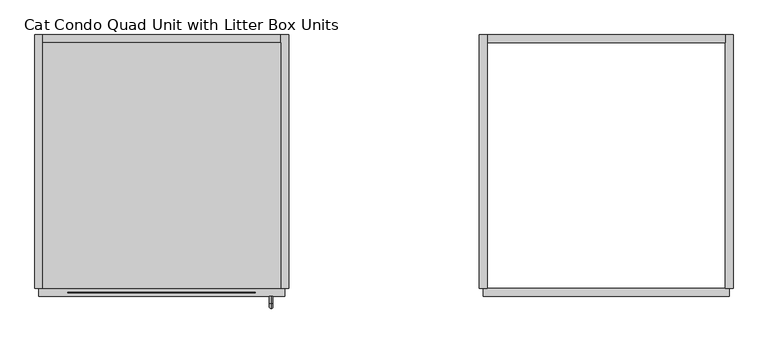
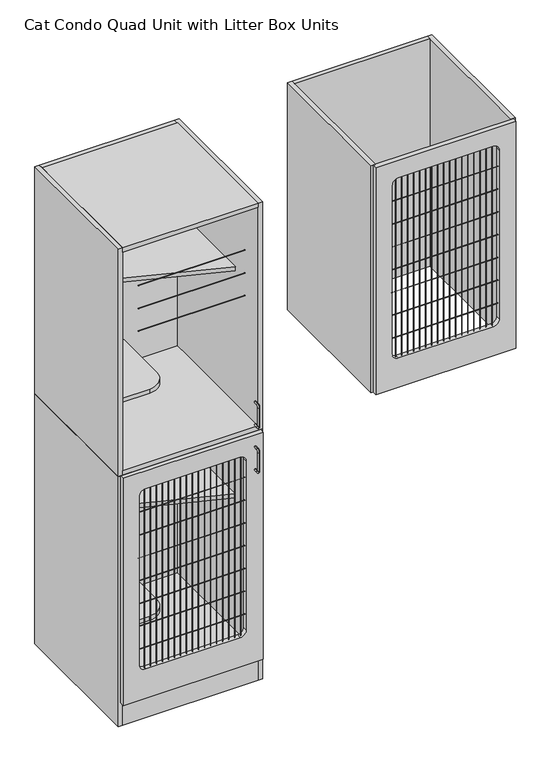
"""IFC4 building model written with IfcOpenShell, lengths in millimetres: proxy geometry, Cat Condo Quad Unit with Litter Box Units."""

from ifc_helpers import new_model, si_unit, point, frame, frame_2d, origin, origin_with_axes, place, context, project, spatial, polyline, circle_curve, ellipse_curve, trimmed, segment, composite_curve, outline, extrude, source, transform, mapped, element, save
from ifc_brep_helpers import plane_surface, cylinder_surface, revolved_surface, advanced_brep


def cat_condo_quad_unit_with_litter_box_units_bd24b7d4(model_context):
    return source(origin(), model_context, "Body", "SolidModel", [
        extrude(outline(polyline([(1085.85, 609.6), (1085.85, 0.0), (1066.8, 0.0), (1066.8, 609.6), (1085.85, 609.6)])), frame((0.0, 0.0, 1114.425), z_axis=(0.0, 0.0, 1.0), x_axis=(1.0, 0.0, 0.0)), (0.0, 0.0, 1.0), 1012.825),
        extrude(outline(polyline([(1085.85, 609.6), (1657.35, 609.6), (1657.35, 590.55), (1085.85, 590.55), (1085.85, 609.6)])), frame((0.0, 0.0, 1114.425), z_axis=(0.0, 0.0, 1.0), x_axis=(1.0, 0.0, 0.0)), (0.0, 0.0, 1.0), 1012.825),
        extrude(outline(polyline([(1657.35, 609.6), (1676.4, 609.6), (1676.4, 0.0), (1657.35, 0.0), (1657.35, 609.6)])), frame((0.0, 0.0, 1114.425), z_axis=(0.0, 0.0, 1.0), x_axis=(1.0, 0.0, 0.0)), (0.0, 0.0, 1.0), 1012.825),
        extrude(outline(composite_curve([segment(trimmed(circle_curve(frame_2d((-9.6602248, 1944.6875)), 0.79375), [point((-9.6602248, 1945.48125))], [point((-9.6602248, 1943.89375))], False, "CARTESIAN"), True, "CONTINUOUS"), segment(trimmed(circle_curve(frame_2d((-9.6602248, 1944.6875)), 0.79375), [point((-9.6602248, 1943.89375))], [point((-9.6602248, 1945.48125))], False, "CARTESIAN"), True, "CONTINUOUS")], self_intersect=False)), frame((1146.96875, 0.0, 0.0), z_axis=(1.0, 0.0, 0.0), x_axis=(0.0, 1.0, 0.0)), (0.0, 0.0, 1.0), 450.85),
        extrude(outline(composite_curve([segment(trimmed(circle_curve(frame_2d((-9.6602248, 1843.0875)), 0.79375), [point((-9.6602248, 1843.88125))], [point((-9.6602248, 1842.29375))], False, "CARTESIAN"), True, "CONTINUOUS"), segment(trimmed(circle_curve(frame_2d((-9.6602248, 1843.0875)), 0.79375), [point((-9.6602248, 1842.29375))], [point((-9.6602248, 1843.88125))], False, "CARTESIAN"), True, "CONTINUOUS")], self_intersect=False)), frame((1146.96875, 0.0, 0.0), z_axis=(1.0, 0.0, 0.0), x_axis=(0.0, 1.0, 0.0)), (0.0, 0.0, 1.0), 450.85),
        extrude(outline(composite_curve([segment(trimmed(circle_curve(frame_2d((-9.6602248, 1741.4875)), 0.79375), [point((-9.6602248, 1742.28125))], [point((-9.6602248, 1740.69375))], False, "CARTESIAN"), True, "CONTINUOUS"), segment(trimmed(circle_curve(frame_2d((-9.6602248, 1741.4875)), 0.79375), [point((-9.6602248, 1740.69375))], [point((-9.6602248, 1742.28125))], False, "CARTESIAN"), True, "CONTINUOUS")], self_intersect=False)), frame((1146.96875, 0.0, 0.0), z_axis=(1.0, 0.0, 0.0), x_axis=(0.0, 1.0, 0.0)), (0.0, 0.0, 1.0), 450.85),
        extrude(outline(composite_curve([segment(trimmed(circle_curve(frame_2d((-9.6602248, 1639.8875)), 0.79375), [point((-9.6602248, 1640.68125))], [point((-9.6602248, 1639.09375))], False, "CARTESIAN"), True, "CONTINUOUS"), segment(trimmed(circle_curve(frame_2d((-9.6602248, 1639.8875)), 0.79375), [point((-9.6602248, 1639.09375))], [point((-9.6602248, 1640.68125))], False, "CARTESIAN"), True, "CONTINUOUS")], self_intersect=False)), frame((1146.96875, 0.0, 0.0), z_axis=(1.0, 0.0, 0.0), x_axis=(0.0, 1.0, 0.0)), (0.0, 0.0, 1.0), 450.85),
        extrude(outline(composite_curve([segment(trimmed(circle_curve(frame_2d((-9.6602248, 1538.2875)), 0.79375), [point((-9.6602248, 1539.08125))], [point((-9.6602248, 1537.49375))], False, "CARTESIAN"), True, "CONTINUOUS"), segment(trimmed(circle_curve(frame_2d((-9.6602248, 1538.2875)), 0.79375), [point((-9.6602248, 1537.49375))], [point((-9.6602248, 1539.08125))], False, "CARTESIAN"), True, "CONTINUOUS")], self_intersect=False)), frame((1146.96875, 0.0, 0.0), z_axis=(1.0, 0.0, 0.0), x_axis=(0.0, 1.0, 0.0)), (0.0, 0.0, 1.0), 450.85),
        extrude(outline(composite_curve([segment(trimmed(circle_curve(frame_2d((-9.6602248, 1436.6875)), 0.79375), [point((-9.6602248, 1437.48125))], [point((-9.6602248, 1435.89375))], False, "CARTESIAN"), True, "CONTINUOUS"), segment(trimmed(circle_curve(frame_2d((-9.6602248, 1436.6875)), 0.79375), [point((-9.6602248, 1435.89375))], [point((-9.6602248, 1437.48125))], False, "CARTESIAN"), True, "CONTINUOUS")], self_intersect=False)), frame((1146.96875, 0.0, 0.0), z_axis=(1.0, 0.0, 0.0), x_axis=(0.0, 1.0, 0.0)), (0.0, 0.0, 1.0), 450.85),
        extrude(outline(composite_curve([segment(trimmed(circle_curve(frame_2d((-9.6602248, 1335.0875)), 0.79375), [point((-9.6602248, 1335.88125))], [point((-9.6602248, 1334.29375))], False, "CARTESIAN"), True, "CONTINUOUS"), segment(trimmed(circle_curve(frame_2d((-9.6602248, 1335.0875)), 0.79375), [point((-9.6602248, 1334.29375))], [point((-9.6602248, 1335.88125))], False, "CARTESIAN"), True, "CONTINUOUS")], self_intersect=False)), frame((1146.96875, 0.0, 0.0), z_axis=(1.0, 0.0, 0.0), x_axis=(0.0, 1.0, 0.0)), (0.0, 0.0, 1.0), 450.85),
        extrude(outline(composite_curve([segment(trimmed(circle_curve(frame_2d((1165.3080335, -9.6602248)), 0.79375), [point((1166.1017835, -9.6602248))], [point((1164.5142835, -9.6602248))], False, "CARTESIAN"), True, "CONTINUOUS"), segment(trimmed(circle_curve(frame_2d((1165.3080335, -9.6602248)), 0.79375), [point((1164.5142835, -9.6602248))], [point((1166.1017835, -9.6602248))], False, "CARTESIAN"), True, "CONTINUOUS")], self_intersect=False)), frame((0.0, 0.0, 1244.6), z_axis=(0.0, 0.0, 1.0), x_axis=(1.0, 0.0, 0.0)), (0.0, 0.0, 1.0), 803.275),
        extrude(outline(composite_curve([segment(trimmed(circle_curve(frame_2d((1190.7080335, -9.6602248)), 0.79375), [point((1191.5017835, -9.6602248))], [point((1189.9142835, -9.6602248))], False, "CARTESIAN"), True, "CONTINUOUS"), segment(trimmed(circle_curve(frame_2d((1190.7080335, -9.6602248)), 0.79375), [point((1189.9142835, -9.6602248))], [point((1191.5017835, -9.6602248))], False, "CARTESIAN"), True, "CONTINUOUS")], self_intersect=False)), frame((0.0, 0.0, 1244.6), z_axis=(0.0, 0.0, 1.0), x_axis=(1.0, 0.0, 0.0)), (0.0, 0.0, 1.0), 803.275),
        extrude(outline(composite_curve([segment(trimmed(circle_curve(frame_2d((1216.1080335, -9.6602248)), 0.79375), [point((1216.9017835, -9.6602248))], [point((1215.3142835, -9.6602248))], False, "CARTESIAN"), True, "CONTINUOUS"), segment(trimmed(circle_curve(frame_2d((1216.1080335, -9.6602248)), 0.79375), [point((1215.3142835, -9.6602248))], [point((1216.9017835, -9.6602248))], False, "CARTESIAN"), True, "CONTINUOUS")], self_intersect=False)), frame((0.0, 0.0, 1244.6), z_axis=(0.0, 0.0, 1.0), x_axis=(1.0, 0.0, 0.0)), (0.0, 0.0, 1.0), 803.275),
        extrude(outline(composite_curve([segment(trimmed(circle_curve(frame_2d((1241.5080335, -9.6602248)), 0.79375), [point((1242.3017835, -9.6602248))], [point((1240.7142835, -9.6602248))], False, "CARTESIAN"), True, "CONTINUOUS"), segment(trimmed(circle_curve(frame_2d((1241.5080335, -9.6602248)), 0.79375), [point((1240.7142835, -9.6602248))], [point((1242.3017835, -9.6602248))], False, "CARTESIAN"), True, "CONTINUOUS")], self_intersect=False)), frame((0.0, 0.0, 1244.6), z_axis=(0.0, 0.0, 1.0), x_axis=(1.0, 0.0, 0.0)), (0.0, 0.0, 1.0), 803.275),
        extrude(outline(composite_curve([segment(trimmed(circle_curve(frame_2d((1266.9080335, -9.6602248)), 0.79375), [point((1267.7017835, -9.6602248))], [point((1266.1142835, -9.6602248))], False, "CARTESIAN"), True, "CONTINUOUS"), segment(trimmed(circle_curve(frame_2d((1266.9080335, -9.6602248)), 0.79375), [point((1266.1142835, -9.6602248))], [point((1267.7017835, -9.6602248))], False, "CARTESIAN"), True, "CONTINUOUS")], self_intersect=False)), frame((0.0, 0.0, 1244.6), z_axis=(0.0, 0.0, 1.0), x_axis=(1.0, 0.0, 0.0)), (0.0, 0.0, 1.0), 803.275),
        extrude(outline(composite_curve([segment(trimmed(circle_curve(frame_2d((1292.3080335, -9.6602248)), 0.79375), [point((1293.1017835, -9.6602248))], [point((1291.5142835, -9.6602248))], False, "CARTESIAN"), True, "CONTINUOUS"), segment(trimmed(circle_curve(frame_2d((1292.3080335, -9.6602248)), 0.79375), [point((1291.5142835, -9.6602248))], [point((1293.1017835, -9.6602248))], False, "CARTESIAN"), True, "CONTINUOUS")], self_intersect=False)), frame((0.0, 0.0, 1244.6), z_axis=(0.0, 0.0, 1.0), x_axis=(1.0, 0.0, 0.0)), (0.0, 0.0, 1.0), 803.275),
        extrude(outline(composite_curve([segment(trimmed(circle_curve(frame_2d((1317.7080335, -9.6602248)), 0.79375), [point((1318.5017835, -9.6602248))], [point((1316.9142835, -9.6602248))], False, "CARTESIAN"), True, "CONTINUOUS"), segment(trimmed(circle_curve(frame_2d((1317.7080335, -9.6602248)), 0.79375), [point((1316.9142835, -9.6602248))], [point((1318.5017835, -9.6602248))], False, "CARTESIAN"), True, "CONTINUOUS")], self_intersect=False)), frame((0.0, 0.0, 1244.6), z_axis=(0.0, 0.0, 1.0), x_axis=(1.0, 0.0, 0.0)), (0.0, 0.0, 1.0), 803.275),
        extrude(outline(composite_curve([segment(trimmed(circle_curve(frame_2d((1343.1080335, -9.6602248)), 0.79375), [point((1343.9017835, -9.6602248))], [point((1342.3142835, -9.6602248))], False, "CARTESIAN"), True, "CONTINUOUS"), segment(trimmed(circle_curve(frame_2d((1343.1080335, -9.6602248)), 0.79375), [point((1342.3142835, -9.6602248))], [point((1343.9017835, -9.6602248))], False, "CARTESIAN"), True, "CONTINUOUS")], self_intersect=False)), frame((0.0, 0.0, 1244.6), z_axis=(0.0, 0.0, 1.0), x_axis=(1.0, 0.0, 0.0)), (0.0, 0.0, 1.0), 803.275),
        extrude(outline(composite_curve([segment(trimmed(circle_curve(frame_2d((1368.5080335, -9.6602248)), 0.79375), [point((1369.3017835, -9.6602248))], [point((1367.7142835, -9.6602248))], False, "CARTESIAN"), True, "CONTINUOUS"), segment(trimmed(circle_curve(frame_2d((1368.5080335, -9.6602248)), 0.79375), [point((1367.7142835, -9.6602248))], [point((1369.3017835, -9.6602248))], False, "CARTESIAN"), True, "CONTINUOUS")], self_intersect=False)), frame((0.0, 0.0, 1244.6), z_axis=(0.0, 0.0, 1.0), x_axis=(1.0, 0.0, 0.0)), (0.0, 0.0, 1.0), 803.275),
        extrude(outline(composite_curve([segment(trimmed(circle_curve(frame_2d((1393.9080335, -9.6602248)), 0.79375), [point((1394.7017835, -9.6602248))], [point((1393.1142835, -9.6602248))], False, "CARTESIAN"), True, "CONTINUOUS"), segment(trimmed(circle_curve(frame_2d((1393.9080335, -9.6602248)), 0.79375), [point((1393.1142835, -9.6602248))], [point((1394.7017835, -9.6602248))], False, "CARTESIAN"), True, "CONTINUOUS")], self_intersect=False)), frame((0.0, 0.0, 1244.6), z_axis=(0.0, 0.0, 1.0), x_axis=(1.0, 0.0, 0.0)), (0.0, 0.0, 1.0), 803.275),
        extrude(outline(composite_curve([segment(trimmed(circle_curve(frame_2d((1419.3080335, -9.6602248)), 0.79375), [point((1420.1017835, -9.6602248))], [point((1418.5142835, -9.6602248))], False, "CARTESIAN"), True, "CONTINUOUS"), segment(trimmed(circle_curve(frame_2d((1419.3080335, -9.6602248)), 0.79375), [point((1418.5142835, -9.6602248))], [point((1420.1017835, -9.6602248))], False, "CARTESIAN"), True, "CONTINUOUS")], self_intersect=False)), frame((0.0, 0.0, 1244.6), z_axis=(0.0, 0.0, 1.0), x_axis=(1.0, 0.0, 0.0)), (0.0, 0.0, 1.0), 803.275),
        extrude(outline(composite_curve([segment(trimmed(circle_curve(frame_2d((1444.7080335, -9.6602248)), 0.79375), [point((1445.5017835, -9.6602248))], [point((1443.9142835, -9.6602248))], False, "CARTESIAN"), True, "CONTINUOUS"), segment(trimmed(circle_curve(frame_2d((1444.7080335, -9.6602248)), 0.79375), [point((1443.9142835, -9.6602248))], [point((1445.5017835, -9.6602248))], False, "CARTESIAN"), True, "CONTINUOUS")], self_intersect=False)), frame((0.0, 0.0, 1244.6), z_axis=(0.0, 0.0, 1.0), x_axis=(1.0, 0.0, 0.0)), (0.0, 0.0, 1.0), 803.275),
        extrude(outline(composite_curve([segment(trimmed(circle_curve(frame_2d((1470.1080335, -9.6602248)), 0.79375), [point((1470.9017835, -9.6602248))], [point((1469.3142835, -9.6602248))], False, "CARTESIAN"), True, "CONTINUOUS"), segment(trimmed(circle_curve(frame_2d((1470.1080335, -9.6602248)), 0.79375), [point((1469.3142835, -9.6602248))], [point((1470.9017835, -9.6602248))], False, "CARTESIAN"), True, "CONTINUOUS")], self_intersect=False)), frame((0.0, 0.0, 1244.6), z_axis=(0.0, 0.0, 1.0), x_axis=(1.0, 0.0, 0.0)), (0.0, 0.0, 1.0), 803.275),
        extrude(outline(composite_curve([segment(trimmed(circle_curve(frame_2d((1495.5080335, -9.6602248)), 0.79375), [point((1496.3017835, -9.6602248))], [point((1494.7142835, -9.6602248))], False, "CARTESIAN"), True, "CONTINUOUS"), segment(trimmed(circle_curve(frame_2d((1495.5080335, -9.6602248)), 0.79375), [point((1494.7142835, -9.6602248))], [point((1496.3017835, -9.6602248))], False, "CARTESIAN"), True, "CONTINUOUS")], self_intersect=False)), frame((0.0, 0.0, 1244.6), z_axis=(0.0, 0.0, 1.0), x_axis=(1.0, 0.0, 0.0)), (0.0, 0.0, 1.0), 803.275),
        extrude(outline(composite_curve([segment(trimmed(circle_curve(frame_2d((1520.9080335, -9.6602248)), 0.79375), [point((1521.7017835, -9.6602248))], [point((1520.1142835, -9.6602248))], False, "CARTESIAN"), True, "CONTINUOUS"), segment(trimmed(circle_curve(frame_2d((1520.9080335, -9.6602248)), 0.79375), [point((1520.1142835, -9.6602248))], [point((1521.7017835, -9.6602248))], False, "CARTESIAN"), True, "CONTINUOUS")], self_intersect=False)), frame((0.0, 0.0, 1244.6), z_axis=(0.0, 0.0, 1.0), x_axis=(1.0, 0.0, 0.0)), (0.0, 0.0, 1.0), 803.275),
        extrude(outline(composite_curve([segment(trimmed(circle_curve(frame_2d((1546.3080335, -9.6602248)), 0.79375), [point((1547.1017835, -9.6602248))], [point((1545.5142835, -9.6602248))], False, "CARTESIAN"), True, "CONTINUOUS"), segment(trimmed(circle_curve(frame_2d((1546.3080335, -9.6602248)), 0.79375), [point((1545.5142835, -9.6602248))], [point((1547.1017835, -9.6602248))], False, "CARTESIAN"), True, "CONTINUOUS")], self_intersect=False)), frame((0.0, 0.0, 1244.6), z_axis=(0.0, 0.0, 1.0), x_axis=(1.0, 0.0, 0.0)), (0.0, 0.0, 1.0), 803.275),
        extrude(outline(composite_curve([segment(trimmed(circle_curve(frame_2d((1571.7080335, -9.6602248)), 0.79375), [point((1572.5017835, -9.6602248))], [point((1570.9142835, -9.6602248))], False, "CARTESIAN"), True, "CONTINUOUS"), segment(trimmed(circle_curve(frame_2d((1571.7080335, -9.6602248)), 0.79375), [point((1570.9142835, -9.6602248))], [point((1572.5017835, -9.6602248))], False, "CARTESIAN"), True, "CONTINUOUS")], self_intersect=False)), frame((0.0, 0.0, 1244.6), z_axis=(0.0, 0.0, 1.0), x_axis=(1.0, 0.0, 0.0)), (0.0, 0.0, 1.0), 803.275),
        extrude(outline(polyline([(2127.25, 1076.325), (1114.425, 1076.325), (1114.425, 1666.875), (2127.25, 1666.875), (2127.25, 1076.325)]), holes=[composite_curve([segment(trimmed(circle_curve(frame_2d((2022.475, 1572.41875)), 25.4), [point((2047.875, 1572.41875))], [point((2022.475, 1597.81875))], True, "CARTESIAN"), True, "CONTINUOUS"), segment(polyline([(2022.475, 1597.81875), (1270.0, 1597.81875)]), True, "CONTINUOUS"), segment(trimmed(circle_curve(frame_2d((1270.0, 1572.41875)), 25.4), [point((1270.0, 1597.81875))], [point((1244.6, 1572.41875))], True, "CARTESIAN"), True, "CONTINUOUS"), segment(polyline([(1244.6, 1572.41875), (1244.6, 1172.36875)]), True, "CONTINUOUS"), segment(trimmed(circle_curve(frame_2d((1270.0, 1172.36875)), 25.4), [point((1244.6, 1172.36875))], [point((1270.0, 1146.96875))], True, "CARTESIAN"), True, "CONTINUOUS"), segment(polyline([(1270.0, 1146.96875), (2022.475, 1146.96875)]), True, "CONTINUOUS"), segment(trimmed(circle_curve(frame_2d((2022.475, 1172.36875)), 25.4), [point((2022.475, 1146.96875))], [point((2047.875, 1172.36875))], True, "CARTESIAN"), True, "CONTINUOUS"), segment(polyline([(2047.875, 1172.36875), (2047.875, 1572.41875)]), True, "CONTINUOUS")], self_intersect=False)]), frame((0.0, -19.05, 0.0), z_axis=(0.0, 1.0, 0.0), x_axis=(0.0, 0.0, 1.0)), (0.0, 0.0, 1.0), 19.05),
        advanced_brep(
        [(567.1128423, -19.05, 1056.5243154), (567.1128423, -19.05, 1064.3756846), (567.1128423, -35.2117768, 1064.3756846), (567.1128423, -35.2117768, 1056.5243154), (567.1128423, -35.2117768, 962.7756846), (567.1128423, -35.2117768, 954.9243154), (567.1128423, -19.05, 954.9243154), (567.1128423, -19.05, 962.7756846), (567.1128423, -48.3756846, 1051.2117768), (567.1128423, -40.5243154, 1051.2117768), (567.1128423, -40.5243154, 968.0882232), (567.1128423, -48.3756846, 968.0882232)],
        [
            (0, 1, circle_curve(frame((567.1128423, -19.05, 1060.45), z_axis=(0.0, 1.0, 0.0), x_axis=(0.0, 0.0, 1.0)), 3.9256846)),
            (1, 0, circle_curve(frame((567.1128423, -19.05, 1060.45), z_axis=(0.0, 1.0, 0.0), x_axis=(0.0, 0.0, 1.0)), 3.9256846)),
            (1, 2),
            (2, 3, circle_curve(frame((567.1128423, -35.2117768, 1060.45), z_axis=(0.0, 1.0, 0.0), x_axis=(0.0, 0.0, 1.0)), 3.9256846)),
            (3, 0),
            (4, 5, circle_curve(frame((567.1128423, -35.2117768, 958.85), z_axis=(0.0, 1.0, 0.0), x_axis=(0.0, 0.0, -1.0)), 3.9256846)),
            (5, 6),
            (6, 7, circle_curve(frame((567.1128423, -19.05, 958.85), z_axis=(0.0, -1.0, 0.0), x_axis=(0.0, 0.0, -1.0)), 3.9256846)),
            (7, 4),
            (3, 2, circle_curve(frame((567.1128423, -35.2117768, 1060.45), z_axis=(0.0, 1.0, 0.0), x_axis=(0.0, 0.0, 1.0)), 3.9256846)),
            (8, 2, circle_curve(frame((567.1128423, -35.2117768, 1051.2117768), z_axis=(-1.0, 0.0, 0.0), x_axis=(0.0, 0.0, 1.0)), 13.1639078)),
            (3, 9, circle_curve(frame((567.1128423, -35.2117768, 1051.2117768), z_axis=(1.0, 0.0, 0.0), x_axis=(0.0, 0.0, 1.0)), 5.3125387)),
            (9, 8, circle_curve(frame((567.1128423, -44.45, 1051.2117768), z_axis=(0.0, 0.0, 1.0), x_axis=(0.0, -1.0, 0.0)), 3.9256846)),
            (8, 9, circle_curve(frame((567.1128423, -44.45, 1051.2117768), z_axis=(0.0, 0.0, 1.0), x_axis=(0.0, -1.0, 0.0)), 3.9256846)),
            (9, 10),
            (10, 11, circle_curve(frame((567.1128423, -44.45, 968.0882232), z_axis=(0.0, 0.0, 1.0), x_axis=(0.0, -1.0, 0.0)), 3.9256846)),
            (11, 8),
            (11, 10, circle_curve(frame((567.1128423, -44.45, 968.0882232), z_axis=(0.0, 0.0, 1.0), x_axis=(0.0, -1.0, 0.0)), 3.9256846)),
            (5, 11, circle_curve(frame((567.1128423, -35.2117768, 968.0882232), z_axis=(-1.0, 0.0, 0.0), x_axis=(0.0, -1.0, 0.0)), 13.1639078)),
            (10, 4, circle_curve(frame((567.1128423, -35.2117768, 968.0882232), z_axis=(1.0, 0.0, 0.0), x_axis=(0.0, -1.0, 0.0)), 5.3125387)),
            (4, 5, circle_curve(frame((567.1128423, -35.2117768, 958.85), z_axis=(0.0, -1.0, 0.0), x_axis=(0.0, 0.0, -1.0)), 3.9256846)),
            (6, 7, circle_curve(frame((567.1128423, -19.05, 958.85), z_axis=(0.0, 1.0, 0.0), x_axis=(0.0, 0.0, -1.0)), 3.9256846)),
        ],
        [
            plane_surface(frame((567.1128423, -19.05, 1060.45), z_axis=(0.0, 1.0, 0.0), x_axis=(1.0, 0.0, 0.0))),
            cylinder_surface(frame((567.1128423, -19.05, 1060.45), z_axis=(0.0, 1.0, 0.0), x_axis=(0.0, 0.0, 1.0)), 3.9256846),
            cylinder_surface(frame((567.1128423, -35.2117768, 958.85), z_axis=(0.0, -1.0, 0.0), x_axis=(0.0, 0.0, -1.0)), 3.9256846),
            revolved_surface(trimmed(ellipse_curve(frame((567.1128423, -35.2117768, 1060.45), z_axis=(0.0, 1.0, 0.0), x_axis=(0.0, 0.0, 1.0)), 3.9256846, 3.9256846), [point((567.1128423, -35.2117768, 1056.5243154))], [point((567.1128423, -35.2117768, 1064.3756846))], True, "CARTESIAN"), (567.1128423, -35.2117768, 1051.2117768), (1.0, 0.0, 0.0)),
            revolved_surface(trimmed(ellipse_curve(frame((567.1128423, -35.2117768, 1060.45), z_axis=(0.0, 1.0, 0.0), x_axis=(0.0, 0.0, 1.0)), 3.9256846, 3.9256846), [point((567.1128423, -35.2117768, 1064.3756846))], [point((567.1128423, -35.2117768, 1056.5243154))], True, "CARTESIAN"), (567.1128423, -35.2117768, 1051.2117768), (1.0, 0.0, 0.0)),
            cylinder_surface(frame((567.1128423, -44.45, 1051.2117768), z_axis=(0.0, 0.0, 1.0), x_axis=(0.0, -1.0, 0.0)), 3.9256846),
            revolved_surface(trimmed(ellipse_curve(frame((567.1128423, -44.45, 968.0882232), z_axis=(0.0, 0.0, 1.0), x_axis=(0.0, -1.0, 0.0)), 3.9256846, 3.9256846), [point((567.1128423, -40.5243154, 968.0882232))], [point((567.1128423, -48.3756846, 968.0882232))], True, "CARTESIAN"), (567.1128423, -35.2117768, 968.0882232), (1.0, 0.0, 0.0)),
            revolved_surface(trimmed(ellipse_curve(frame((567.1128423, -44.45, 968.0882232), z_axis=(0.0, 0.0, 1.0), x_axis=(0.0, -1.0, 0.0)), 3.9256846, 3.9256846), [point((567.1128423, -48.3756846, 968.0882232))], [point((567.1128423, -40.5243154, 968.0882232))], True, "CARTESIAN"), (567.1128423, -35.2117768, 968.0882232), (1.0, 0.0, 0.0)),
            plane_surface(frame((567.1128423, -19.05, 958.85), z_axis=(0.0, 1.0, 0.0), x_axis=(1.0, 0.0, 0.0))),
        ],
        [
            (0, [[1, 2]]),
            (1, [[-2, 3, 4, 5]]),
            (2, [[6, 7, 8, 9]]),
            (1, [[-1, -5, 10, -3]]),
            (3, [[11, -10, 12, 13]]),
            (4, [[-12, -4, -11, 14]]),
            (5, [[-13, 15, 16, 17]]),
            (5, [[-14, -17, 18, -15]]),
            (6, [[19, -16, 20, 21]]),
            (7, [[-20, -18, -19, -6]]),
            (8, [[-8, 22]]),
            (2, [[-21, -9, -22, -7]]),
        ],
    ),
        extrude(outline(polyline([(590.55, 590.55), (590.55, 0.0), (19.05, 0.0), (19.05, 590.55), (590.55, 590.55)])), frame((0.0, 0.0, 1095.375), z_axis=(0.0, 0.0, 1.0), x_axis=(1.0, 0.0, 0.0)), (0.0, 0.0, 1.0), 19.05),
        extrude(outline(polyline([(590.55, 590.55), (590.55, 166.6410111), (19.05, 374.65), (19.05, 590.55), (590.55, 590.55)])), frame((0.0, 0.0, 711.2), z_axis=(0.0, 0.0, 1.0), x_axis=(1.0, 0.0, 0.0)), (0.0, 0.0, 1.0), 19.05),
        extrude(outline(composite_curve([segment(polyline([(222.25, 590.55), (222.25, 101.6)]), True, "CONTINUOUS"), segment(trimmed(circle_curve(frame_2d((146.05, 101.6)), 76.2), [point((222.25, 101.6))], [point((146.05, 25.4))], False, "CARTESIAN"), True, "CONTINUOUS"), segment(polyline([(146.05, 25.4), (19.05, 25.4), (19.05, 590.55), (222.25, 590.55)]), True, "CONTINUOUS")], self_intersect=False)), frame((0.0, 0.0, 406.4), z_axis=(0.0, 0.0, 1.0), x_axis=(1.0, 0.0, 0.0)), (0.0, 0.0, 1.0), 19.05),
        extrude(outline(polyline([(590.55, 0.0), (19.05, 0.0), (19.05, 590.55), (590.55, 590.55), (590.55, 0.0)])), frame((0.0, 0.0, 101.6), z_axis=(0.0, 0.0, 1.0), x_axis=(1.0, 0.0, 0.0)), (0.0, 0.0, 1.0), 19.05),
        extrude(outline(polyline([(590.55, 19.05), (590.55, 0.0), (19.05, 0.0), (19.05, 19.05), (590.55, 19.05)])), origin_with_axes(), (0.0, 0.0, 1.0), 101.6),
        extrude(outline(polyline([(590.55, 609.6), (609.6, 609.6), (609.6, 0.0), (590.55, 0.0), (590.55, 609.6)])), origin_with_axes(), (0.0, 0.0, 1.0), 1114.425),
        extrude(outline(polyline([(590.55, 609.6), (590.55, 590.55), (19.05, 590.55), (19.05, 609.6), (590.55, 609.6)])), origin_with_axes(), (0.0, 0.0, 1.0), 1114.425),
        extrude(outline(polyline([(19.05, 609.6), (19.05, 0.0), (0.0, 0.0), (0.0, 609.6), (19.05, 609.6)])), origin_with_axes(), (0.0, 0.0, 1.0), 1114.425),
        extrude(outline(composite_curve([segment(trimmed(circle_curve(frame_2d((-9.6602248, 931.8625)), 0.79375), [point((-9.6602248, 932.65625))], [point((-9.6602248, 931.06875))], False, "CARTESIAN"), True, "CONTINUOUS"), segment(trimmed(circle_curve(frame_2d((-9.6602248, 931.8625)), 0.79375), [point((-9.6602248, 931.06875))], [point((-9.6602248, 932.65625))], False, "CARTESIAN"), True, "CONTINUOUS")], self_intersect=False)), frame((78.58125, 0.0, 0.0), z_axis=(1.0, 0.0, 0.0), x_axis=(0.0, 1.0, 0.0)), (0.0, 0.0, 1.0), 450.85),
        extrude(outline(composite_curve([segment(trimmed(circle_curve(frame_2d((-9.6602248, 830.2625)), 0.79375), [point((-9.6602248, 831.05625))], [point((-9.6602248, 829.46875))], False, "CARTESIAN"), True, "CONTINUOUS"), segment(trimmed(circle_curve(frame_2d((-9.6602248, 830.2625)), 0.79375), [point((-9.6602248, 829.46875))], [point((-9.6602248, 831.05625))], False, "CARTESIAN"), True, "CONTINUOUS")], self_intersect=False)), frame((78.58125, 0.0, 0.0), z_axis=(1.0, 0.0, 0.0), x_axis=(0.0, 1.0, 0.0)), (0.0, 0.0, 1.0), 450.85),
        extrude(outline(composite_curve([segment(trimmed(circle_curve(frame_2d((-9.6602248, 728.6625)), 0.79375), [point((-9.6602248, 729.45625))], [point((-9.6602248, 727.86875))], False, "CARTESIAN"), True, "CONTINUOUS"), segment(trimmed(circle_curve(frame_2d((-9.6602248, 728.6625)), 0.79375), [point((-9.6602248, 727.86875))], [point((-9.6602248, 729.45625))], False, "CARTESIAN"), True, "CONTINUOUS")], self_intersect=False)), frame((78.58125, 0.0, 0.0), z_axis=(1.0, 0.0, 0.0), x_axis=(0.0, 1.0, 0.0)), (0.0, 0.0, 1.0), 450.85),
        extrude(outline(composite_curve([segment(trimmed(circle_curve(frame_2d((-9.6602248, 627.0625)), 0.79375), [point((-9.6602248, 627.85625))], [point((-9.6602248, 626.26875))], False, "CARTESIAN"), True, "CONTINUOUS"), segment(trimmed(circle_curve(frame_2d((-9.6602248, 627.0625)), 0.79375), [point((-9.6602248, 626.26875))], [point((-9.6602248, 627.85625))], False, "CARTESIAN"), True, "CONTINUOUS")], self_intersect=False)), frame((78.58125, 0.0, 0.0), z_axis=(1.0, 0.0, 0.0), x_axis=(0.0, 1.0, 0.0)), (0.0, 0.0, 1.0), 450.85),
        extrude(outline(composite_curve([segment(trimmed(circle_curve(frame_2d((-9.6602248, 525.4625)), 0.79375), [point((-9.6602248, 526.25625))], [point((-9.6602248, 524.66875))], False, "CARTESIAN"), True, "CONTINUOUS"), segment(trimmed(circle_curve(frame_2d((-9.6602248, 525.4625)), 0.79375), [point((-9.6602248, 524.66875))], [point((-9.6602248, 526.25625))], False, "CARTESIAN"), True, "CONTINUOUS")], self_intersect=False)), frame((78.58125, 0.0, 0.0), z_axis=(1.0, 0.0, 0.0), x_axis=(0.0, 1.0, 0.0)), (0.0, 0.0, 1.0), 450.85),
        extrude(outline(composite_curve([segment(trimmed(circle_curve(frame_2d((-9.6602248, 423.8625)), 0.79375), [point((-9.6602248, 424.65625))], [point((-9.6602248, 423.06875))], False, "CARTESIAN"), True, "CONTINUOUS"), segment(trimmed(circle_curve(frame_2d((-9.6602248, 423.8625)), 0.79375), [point((-9.6602248, 423.06875))], [point((-9.6602248, 424.65625))], False, "CARTESIAN"), True, "CONTINUOUS")], self_intersect=False)), frame((78.58125, 0.0, 0.0), z_axis=(1.0, 0.0, 0.0), x_axis=(0.0, 1.0, 0.0)), (0.0, 0.0, 1.0), 450.85),
        extrude(outline(composite_curve([segment(trimmed(circle_curve(frame_2d((-9.6602248, 322.2625)), 0.79375), [point((-9.6602248, 323.05625))], [point((-9.6602248, 321.46875))], False, "CARTESIAN"), True, "CONTINUOUS"), segment(trimmed(circle_curve(frame_2d((-9.6602248, 322.2625)), 0.79375), [point((-9.6602248, 321.46875))], [point((-9.6602248, 323.05625))], False, "CARTESIAN"), True, "CONTINUOUS")], self_intersect=False)), frame((78.58125, 0.0, 0.0), z_axis=(1.0, 0.0, 0.0), x_axis=(0.0, 1.0, 0.0)), (0.0, 0.0, 1.0), 450.85),
        extrude(outline(composite_curve([segment(trimmed(circle_curve(frame_2d((511.0919665, -9.6602248)), 0.79375), [point((510.2982165, -9.6602248))], [point((511.8857165, -9.6602248))], False, "CARTESIAN"), True, "CONTINUOUS"), segment(trimmed(circle_curve(frame_2d((511.0919665, -9.6602248)), 0.79375), [point((511.8857165, -9.6602248))], [point((510.2982165, -9.6602248))], False, "CARTESIAN"), True, "CONTINUOUS")], self_intersect=False)), frame((0.0, 0.0, 231.775), z_axis=(0.0, 0.0, 1.0), x_axis=(1.0, 0.0, 0.0)), (0.0, 0.0, 1.0), 803.275),
        extrude(outline(composite_curve([segment(trimmed(circle_curve(frame_2d((485.6919665, -9.6602248)), 0.79375), [point((484.8982165, -9.6602248))], [point((486.4857165, -9.6602248))], False, "CARTESIAN"), True, "CONTINUOUS"), segment(trimmed(circle_curve(frame_2d((485.6919665, -9.6602248)), 0.79375), [point((486.4857165, -9.6602248))], [point((484.8982165, -9.6602248))], False, "CARTESIAN"), True, "CONTINUOUS")], self_intersect=False)), frame((0.0, 0.0, 231.775), z_axis=(0.0, 0.0, 1.0), x_axis=(1.0, 0.0, 0.0)), (0.0, 0.0, 1.0), 803.275),
        extrude(outline(composite_curve([segment(trimmed(circle_curve(frame_2d((460.2919665, -9.6602248)), 0.79375), [point((459.4982165, -9.6602248))], [point((461.0857165, -9.6602248))], False, "CARTESIAN"), True, "CONTINUOUS"), segment(trimmed(circle_curve(frame_2d((460.2919665, -9.6602248)), 0.79375), [point((461.0857165, -9.6602248))], [point((459.4982165, -9.6602248))], False, "CARTESIAN"), True, "CONTINUOUS")], self_intersect=False)), frame((0.0, 0.0, 231.775), z_axis=(0.0, 0.0, 1.0), x_axis=(1.0, 0.0, 0.0)), (0.0, 0.0, 1.0), 803.275),
        extrude(outline(composite_curve([segment(trimmed(circle_curve(frame_2d((434.8919665, -9.6602248)), 0.79375), [point((434.0982165, -9.6602248))], [point((435.6857165, -9.6602248))], False, "CARTESIAN"), True, "CONTINUOUS"), segment(trimmed(circle_curve(frame_2d((434.8919665, -9.6602248)), 0.79375), [point((435.6857165, -9.6602248))], [point((434.0982165, -9.6602248))], False, "CARTESIAN"), True, "CONTINUOUS")], self_intersect=False)), frame((0.0, 0.0, 231.775), z_axis=(0.0, 0.0, 1.0), x_axis=(1.0, 0.0, 0.0)), (0.0, 0.0, 1.0), 803.275),
        extrude(outline(composite_curve([segment(trimmed(circle_curve(frame_2d((409.4919665, -9.6602248)), 0.79375), [point((408.6982165, -9.6602248))], [point((410.2857165, -9.6602248))], False, "CARTESIAN"), True, "CONTINUOUS"), segment(trimmed(circle_curve(frame_2d((409.4919665, -9.6602248)), 0.79375), [point((410.2857165, -9.6602248))], [point((408.6982165, -9.6602248))], False, "CARTESIAN"), True, "CONTINUOUS")], self_intersect=False)), frame((0.0, 0.0, 231.775), z_axis=(0.0, 0.0, 1.0), x_axis=(1.0, 0.0, 0.0)), (0.0, 0.0, 1.0), 803.275),
        extrude(outline(composite_curve([segment(trimmed(circle_curve(frame_2d((384.0919665, -9.6602248)), 0.79375), [point((383.2982165, -9.6602248))], [point((384.8857165, -9.6602248))], False, "CARTESIAN"), True, "CONTINUOUS"), segment(trimmed(circle_curve(frame_2d((384.0919665, -9.6602248)), 0.79375), [point((384.8857165, -9.6602248))], [point((383.2982165, -9.6602248))], False, "CARTESIAN"), True, "CONTINUOUS")], self_intersect=False)), frame((0.0, 0.0, 231.775), z_axis=(0.0, 0.0, 1.0), x_axis=(1.0, 0.0, 0.0)), (0.0, 0.0, 1.0), 803.275),
        extrude(outline(composite_curve([segment(trimmed(circle_curve(frame_2d((358.6919665, -9.6602248)), 0.79375), [point((357.8982165, -9.6602248))], [point((359.4857165, -9.6602248))], False, "CARTESIAN"), True, "CONTINUOUS"), segment(trimmed(circle_curve(frame_2d((358.6919665, -9.6602248)), 0.79375), [point((359.4857165, -9.6602248))], [point((357.8982165, -9.6602248))], False, "CARTESIAN"), True, "CONTINUOUS")], self_intersect=False)), frame((0.0, 0.0, 231.775), z_axis=(0.0, 0.0, 1.0), x_axis=(1.0, 0.0, 0.0)), (0.0, 0.0, 1.0), 803.275),
        extrude(outline(composite_curve([segment(trimmed(circle_curve(frame_2d((333.2919665, -9.6602248)), 0.79375), [point((332.4982165, -9.6602248))], [point((334.0857165, -9.6602248))], False, "CARTESIAN"), True, "CONTINUOUS"), segment(trimmed(circle_curve(frame_2d((333.2919665, -9.6602248)), 0.79375), [point((334.0857165, -9.6602248))], [point((332.4982165, -9.6602248))], False, "CARTESIAN"), True, "CONTINUOUS")], self_intersect=False)), frame((0.0, 0.0, 231.775), z_axis=(0.0, 0.0, 1.0), x_axis=(1.0, 0.0, 0.0)), (0.0, 0.0, 1.0), 803.275),
        extrude(outline(composite_curve([segment(trimmed(circle_curve(frame_2d((307.8919665, -9.6602248)), 0.79375), [point((307.0982165, -9.6602248))], [point((308.6857165, -9.6602248))], False, "CARTESIAN"), True, "CONTINUOUS"), segment(trimmed(circle_curve(frame_2d((307.8919665, -9.6602248)), 0.79375), [point((308.6857165, -9.6602248))], [point((307.0982165, -9.6602248))], False, "CARTESIAN"), True, "CONTINUOUS")], self_intersect=False)), frame((0.0, 0.0, 231.775), z_axis=(0.0, 0.0, 1.0), x_axis=(1.0, 0.0, 0.0)), (0.0, 0.0, 1.0), 803.275),
        extrude(outline(composite_curve([segment(trimmed(circle_curve(frame_2d((282.4919665, -9.6602248)), 0.79375), [point((281.6982165, -9.6602248))], [point((283.2857165, -9.6602248))], False, "CARTESIAN"), True, "CONTINUOUS"), segment(trimmed(circle_curve(frame_2d((282.4919665, -9.6602248)), 0.79375), [point((283.2857165, -9.6602248))], [point((281.6982165, -9.6602248))], False, "CARTESIAN"), True, "CONTINUOUS")], self_intersect=False)), frame((0.0, 0.0, 231.775), z_axis=(0.0, 0.0, 1.0), x_axis=(1.0, 0.0, 0.0)), (0.0, 0.0, 1.0), 803.275),
        extrude(outline(composite_curve([segment(trimmed(circle_curve(frame_2d((257.0919665, -9.6602248)), 0.79375), [point((256.2982165, -9.6602248))], [point((257.8857165, -9.6602248))], False, "CARTESIAN"), True, "CONTINUOUS"), segment(trimmed(circle_curve(frame_2d((257.0919665, -9.6602248)), 0.79375), [point((257.8857165, -9.6602248))], [point((256.2982165, -9.6602248))], False, "CARTESIAN"), True, "CONTINUOUS")], self_intersect=False)), frame((0.0, 0.0, 231.775), z_axis=(0.0, 0.0, 1.0), x_axis=(1.0, 0.0, 0.0)), (0.0, 0.0, 1.0), 803.275),
        extrude(outline(composite_curve([segment(trimmed(circle_curve(frame_2d((231.6919665, -9.6602248)), 0.79375), [point((230.8982165, -9.6602248))], [point((232.4857165, -9.6602248))], False, "CARTESIAN"), True, "CONTINUOUS"), segment(trimmed(circle_curve(frame_2d((231.6919665, -9.6602248)), 0.79375), [point((232.4857165, -9.6602248))], [point((230.8982165, -9.6602248))], False, "CARTESIAN"), True, "CONTINUOUS")], self_intersect=False)), frame((0.0, 0.0, 231.775), z_axis=(0.0, 0.0, 1.0), x_axis=(1.0, 0.0, 0.0)), (0.0, 0.0, 1.0), 803.275),
        extrude(outline(composite_curve([segment(trimmed(circle_curve(frame_2d((206.2919665, -9.6602248)), 0.79375), [point((205.4982165, -9.6602248))], [point((207.0857165, -9.6602248))], False, "CARTESIAN"), True, "CONTINUOUS"), segment(trimmed(circle_curve(frame_2d((206.2919665, -9.6602248)), 0.79375), [point((207.0857165, -9.6602248))], [point((205.4982165, -9.6602248))], False, "CARTESIAN"), True, "CONTINUOUS")], self_intersect=False)), frame((0.0, 0.0, 231.775), z_axis=(0.0, 0.0, 1.0), x_axis=(1.0, 0.0, 0.0)), (0.0, 0.0, 1.0), 803.275),
        extrude(outline(composite_curve([segment(trimmed(circle_curve(frame_2d((180.8919665, -9.6602248)), 0.79375), [point((180.0982165, -9.6602248))], [point((181.6857165, -9.6602248))], False, "CARTESIAN"), True, "CONTINUOUS"), segment(trimmed(circle_curve(frame_2d((180.8919665, -9.6602248)), 0.79375), [point((181.6857165, -9.6602248))], [point((180.0982165, -9.6602248))], False, "CARTESIAN"), True, "CONTINUOUS")], self_intersect=False)), frame((0.0, 0.0, 231.775), z_axis=(0.0, 0.0, 1.0), x_axis=(1.0, 0.0, 0.0)), (0.0, 0.0, 1.0), 803.275),
        extrude(outline(composite_curve([segment(trimmed(circle_curve(frame_2d((155.4919665, -9.6602248)), 0.79375), [point((154.6982165, -9.6602248))], [point((156.2857165, -9.6602248))], False, "CARTESIAN"), True, "CONTINUOUS"), segment(trimmed(circle_curve(frame_2d((155.4919665, -9.6602248)), 0.79375), [point((156.2857165, -9.6602248))], [point((154.6982165, -9.6602248))], False, "CARTESIAN"), True, "CONTINUOUS")], self_intersect=False)), frame((0.0, 0.0, 231.775), z_axis=(0.0, 0.0, 1.0), x_axis=(1.0, 0.0, 0.0)), (0.0, 0.0, 1.0), 803.275),
        extrude(outline(composite_curve([segment(trimmed(circle_curve(frame_2d((130.0919665, -9.6602248)), 0.79375), [point((129.2982165, -9.6602248))], [point((130.8857165, -9.6602248))], False, "CARTESIAN"), True, "CONTINUOUS"), segment(trimmed(circle_curve(frame_2d((130.0919665, -9.6602248)), 0.79375), [point((130.8857165, -9.6602248))], [point((129.2982165, -9.6602248))], False, "CARTESIAN"), True, "CONTINUOUS")], self_intersect=False)), frame((0.0, 0.0, 231.775), z_axis=(0.0, 0.0, 1.0), x_axis=(1.0, 0.0, 0.0)), (0.0, 0.0, 1.0), 803.275),
        extrude(outline(composite_curve([segment(trimmed(circle_curve(frame_2d((104.6919665, -9.6602248)), 0.79375), [point((103.8982165, -9.6602248))], [point((105.4857165, -9.6602248))], False, "CARTESIAN"), True, "CONTINUOUS"), segment(trimmed(circle_curve(frame_2d((104.6919665, -9.6602248)), 0.79375), [point((105.4857165, -9.6602248))], [point((103.8982165, -9.6602248))], False, "CARTESIAN"), True, "CONTINUOUS")], self_intersect=False)), frame((0.0, 0.0, 231.775), z_axis=(0.0, 0.0, 1.0), x_axis=(1.0, 0.0, 0.0)), (0.0, 0.0, 1.0), 803.275),
        extrude(outline(polyline([(1114.425, 600.075), (1114.425, 9.525), (101.6, 9.525), (101.6, 600.075), (1114.425, 600.075)]), holes=[composite_curve([segment(polyline([(1035.05, 103.98125), (1035.05, 504.03125)]), True, "CONTINUOUS"), segment(trimmed(circle_curve(frame_2d((1009.65, 504.03125)), 25.4), [point((1035.05, 504.03125))], [point((1009.65, 529.43125))], True, "CARTESIAN"), True, "CONTINUOUS"), segment(polyline([(1009.65, 529.43125), (257.175, 529.43125)]), True, "CONTINUOUS"), segment(trimmed(circle_curve(frame_2d((257.175, 504.03125)), 25.4), [point((257.175, 529.43125))], [point((231.775, 504.03125))], True, "CARTESIAN"), True, "CONTINUOUS"), segment(polyline([(231.775, 504.03125), (231.775, 103.98125)]), True, "CONTINUOUS"), segment(trimmed(circle_curve(frame_2d((257.175, 103.98125)), 25.4), [point((231.775, 103.98125))], [point((257.175, 78.58125))], True, "CARTESIAN"), True, "CONTINUOUS"), segment(polyline([(257.175, 78.58125), (1009.65, 78.58125)]), True, "CONTINUOUS"), segment(trimmed(circle_curve(frame_2d((1009.65, 103.98125)), 25.4), [point((1009.65, 78.58125))], [point((1035.05, 103.98125))], True, "CARTESIAN"), True, "CONTINUOUS")], self_intersect=False)]), frame((0.0, -19.05, 0.0), z_axis=(0.0, 1.0, 0.0), x_axis=(0.0, 0.0, 1.0)), (0.0, 0.0, 1.0), 19.05),
        advanced_brep(
        [(567.1128423, -19.05, 1256.5493154), (567.1128423, -19.05, 1264.4006846), (567.1128423, -35.2117768, 1256.5493154), (567.1128423, -35.2117768, 1264.4006846), (567.1128423, -48.3756846, 1251.2367768), (567.1128423, -40.5243154, 1251.2367768), (567.1128423, -40.5243154, 1168.1132232), (567.1128423, -48.3756846, 1168.1132232), (567.1128423, -35.2117768, 1154.9493154), (567.1128423, -35.2117768, 1162.8006846), (567.1128423, -19.05, 1162.8006846), (567.1128423, -19.05, 1154.9493154)],
        [
            (0, 1, circle_curve(frame((567.1128423, -19.05, 1260.475), z_axis=(0.0, 1.0, 0.0), x_axis=(0.0, 0.0, 1.0)), 3.9256846)),
            (1, 0, circle_curve(frame((567.1128423, -19.05, 1260.475), z_axis=(0.0, 1.0, 0.0), x_axis=(0.0, 0.0, 1.0)), 3.9256846)),
            (0, 2),
            (2, 3, circle_curve(frame((567.1128423, -35.2117768, 1260.475), z_axis=(0.0, 1.0, 0.0), x_axis=(0.0, 0.0, 1.0)), 3.9256846)),
            (3, 1),
            (3, 2, circle_curve(frame((567.1128423, -35.2117768, 1260.475), z_axis=(0.0, 1.0, 0.0), x_axis=(0.0, 0.0, 1.0)), 3.9256846)),
            (4, 3, circle_curve(frame((567.1128423, -35.2117768, 1251.2367768), z_axis=(-1.0, 0.0, 0.0), x_axis=(0.0, 0.0, 1.0)), 13.1639078)),
            (2, 5, circle_curve(frame((567.1128423, -35.2117768, 1251.2367768), z_axis=(1.0, 0.0, 0.0), x_axis=(0.0, 0.0, 1.0)), 5.3125387)),
            (5, 4, circle_curve(frame((567.1128423, -44.45, 1251.2367768), z_axis=(0.0, 0.0, 1.0), x_axis=(0.0, -1.0, 0.0)), 3.9256846)),
            (4, 5, circle_curve(frame((567.1128423, -44.45, 1251.2367768), z_axis=(0.0, 0.0, 1.0), x_axis=(0.0, -1.0, 0.0)), 3.9256846)),
            (5, 6),
            (6, 7, circle_curve(frame((567.1128423, -44.45, 1168.1132232), z_axis=(0.0, 0.0, 1.0), x_axis=(0.0, -1.0, 0.0)), 3.9256846)),
            (7, 4),
            (7, 6, circle_curve(frame((567.1128423, -44.45, 1168.1132232), z_axis=(0.0, 0.0, 1.0), x_axis=(0.0, -1.0, 0.0)), 3.9256846)),
            (8, 7, circle_curve(frame((567.1128423, -35.2117768, 1168.1132232), z_axis=(-1.0, 0.0, 0.0), x_axis=(0.0, -1.0, 0.0)), 13.1639078)),
            (6, 9, circle_curve(frame((567.1128423, -35.2117768, 1168.1132232), z_axis=(1.0, 0.0, 0.0), x_axis=(0.0, -1.0, 0.0)), 5.3125387)),
            (9, 8, circle_curve(frame((567.1128423, -35.2117768, 1158.875), z_axis=(0.0, -1.0, 0.0), x_axis=(0.0, 0.0, -1.0)), 3.9256846)),
            (8, 9, circle_curve(frame((567.1128423, -35.2117768, 1158.875), z_axis=(0.0, -1.0, 0.0), x_axis=(0.0, 0.0, -1.0)), 3.9256846)),
            (10, 11, circle_curve(frame((567.1128423, -19.05, 1158.875), z_axis=(0.0, 1.0, 0.0), x_axis=(0.0, 0.0, -1.0)), 3.9256846)),
            (11, 10, circle_curve(frame((567.1128423, -19.05, 1158.875), z_axis=(0.0, 1.0, 0.0), x_axis=(0.0, 0.0, -1.0)), 3.9256846)),
            (9, 10),
            (11, 8),
        ],
        [
            plane_surface(frame((567.1128423, -19.05, 1260.475), z_axis=(0.0, 1.0, 0.0), x_axis=(1.0, 0.0, 0.0))),
            cylinder_surface(frame((567.1128423, -19.05, 1260.475), z_axis=(0.0, 1.0, 0.0), x_axis=(0.0, 0.0, 1.0)), 3.9256846),
            revolved_surface(trimmed(ellipse_curve(frame((567.1128423, -35.2117768, 1260.475), z_axis=(0.0, 1.0, 0.0), x_axis=(0.0, 0.0, 1.0)), 3.9256846, 3.9256846), [point((567.1128423, -35.2117768, 1256.5493154))], [point((567.1128423, -35.2117768, 1264.4006846))], True, "CARTESIAN"), (567.1128423, -35.2117768, 1251.2367768), (1.0, 0.0, 0.0)),
            revolved_surface(trimmed(ellipse_curve(frame((567.1128423, -35.2117768, 1260.475), z_axis=(0.0, 1.0, 0.0), x_axis=(0.0, 0.0, 1.0)), 3.9256846, 3.9256846), [point((567.1128423, -35.2117768, 1264.4006846))], [point((567.1128423, -35.2117768, 1256.5493154))], True, "CARTESIAN"), (567.1128423, -35.2117768, 1251.2367768), (1.0, 0.0, 0.0)),
            cylinder_surface(frame((567.1128423, -44.45, 1251.2367768), z_axis=(0.0, 0.0, 1.0), x_axis=(0.0, -1.0, 0.0)), 3.9256846),
            revolved_surface(trimmed(ellipse_curve(frame((567.1128423, -44.45, 1168.1132232), z_axis=(0.0, 0.0, 1.0), x_axis=(0.0, -1.0, 0.0)), 3.9256846, 3.9256846), [point((567.1128423, -40.5243154, 1168.1132232))], [point((567.1128423, -48.3756846, 1168.1132232))], True, "CARTESIAN"), (567.1128423, -35.2117768, 1168.1132232), (1.0, 0.0, 0.0)),
            revolved_surface(trimmed(ellipse_curve(frame((567.1128423, -44.45, 1168.1132232), z_axis=(0.0, 0.0, 1.0), x_axis=(0.0, -1.0, 0.0)), 3.9256846, 3.9256846), [point((567.1128423, -48.3756846, 1168.1132232))], [point((567.1128423, -40.5243154, 1168.1132232))], True, "CARTESIAN"), (567.1128423, -35.2117768, 1168.1132232), (1.0, 0.0, 0.0)),
            plane_surface(frame((567.1128423, -19.05, 1158.875), z_axis=(0.0, 1.0, 0.0), x_axis=(1.0, 0.0, 0.0))),
            cylinder_surface(frame((567.1128423, -35.2117768, 1158.875), z_axis=(0.0, -1.0, 0.0), x_axis=(0.0, 0.0, -1.0)), 3.9256846),
        ],
        [
            (0, [[1, 2]]),
            (1, [[-1, 3, 4, 5]]),
            (1, [[-2, -5, 6, -3]]),
            (2, [[7, -4, 8, 9]]),
            (3, [[-8, -6, -7, 10]]),
            (4, [[-9, 11, 12, 13]]),
            (4, [[-10, -13, 14, -11]]),
            (5, [[15, -12, 16, 17]]),
            (6, [[-16, -14, -15, 18]]),
            (7, [[19, 20]]),
            (8, [[-17, 21, -20, 22]]),
            (8, [[-18, -22, -19, -21]]),
        ],
    ),
        extrude(outline(polyline([(590.55, 590.55), (590.55, 0.0), (19.05, 0.0), (19.05, 590.55), (590.55, 590.55)])), frame((0.0, 0.0, 2108.2), z_axis=(0.0, 0.0, 1.0), x_axis=(1.0, 0.0, 0.0)), (0.0, 0.0, 1.0), 19.05),
        extrude(outline(polyline([(590.55, 590.55), (590.55, 166.6410111), (19.05, 374.65), (19.05, 590.55), (590.55, 590.55)])), frame((0.0, 0.0, 1724.025), z_axis=(0.0, 0.0, 1.0), x_axis=(1.0, 0.0, 0.0)), (0.0, 0.0, 1.0), 19.05),
        extrude(outline(composite_curve([segment(polyline([(222.25, 590.55), (222.25, 101.6)]), True, "CONTINUOUS"), segment(trimmed(circle_curve(frame_2d((146.05, 101.6)), 76.2), [point((222.25, 101.6))], [point((146.05, 25.4))], False, "CARTESIAN"), True, "CONTINUOUS"), segment(polyline([(146.05, 25.4), (19.05, 25.4), (19.05, 590.55), (222.25, 590.55)]), True, "CONTINUOUS")], self_intersect=False)), frame((0.0, 0.0, 1419.225), z_axis=(0.0, 0.0, 1.0), x_axis=(1.0, 0.0, 0.0)), (0.0, 0.0, 1.0), 19.05),
        extrude(outline(polyline([(590.55, 0.0), (19.05, 0.0), (19.05, 590.55), (590.55, 590.55), (590.55, 0.0)])), frame((0.0, 0.0, 1114.425), z_axis=(0.0, 0.0, 1.0), x_axis=(1.0, 0.0, 0.0)), (0.0, 0.0, 1.0), 19.05),
        extrude(outline(polyline([(590.55, 609.6), (609.6, 609.6), (609.6, 0.0), (590.55, 0.0), (590.55, 609.6)])), frame((0.0, 0.0, 1114.425), z_axis=(0.0, 0.0, 1.0), x_axis=(1.0, 0.0, 0.0)), (0.0, 0.0, 1.0), 1012.825),
        extrude(outline(polyline([(590.55, 609.6), (590.55, 590.55), (19.05, 590.55), (19.05, 609.6), (590.55, 609.6)])), frame((0.0, 0.0, 1114.425), z_axis=(0.0, 0.0, 1.0), x_axis=(1.0, 0.0, 0.0)), (0.0, 0.0, 1.0), 1012.825),
        extrude(outline(polyline([(19.05, 609.6), (19.05, 0.0), (0.0, 0.0), (0.0, 609.6), (19.05, 609.6)])), frame((0.0, 0.0, 1114.425), z_axis=(0.0, 0.0, 1.0), x_axis=(1.0, 0.0, 0.0)), (0.0, 0.0, 1.0), 1012.825),
        extrude(outline(composite_curve([segment(trimmed(circle_curve(frame_2d((-9.6602248, 1944.6875)), 0.79375), [point((-9.6602248, 1945.48125))], [point((-9.6602248, 1943.89375))], False, "CARTESIAN"), True, "CONTINUOUS"), segment(trimmed(circle_curve(frame_2d((-9.6602248, 1944.6875)), 0.79375), [point((-9.6602248, 1943.89375))], [point((-9.6602248, 1945.48125))], False, "CARTESIAN"), True, "CONTINUOUS")], self_intersect=False)), frame((78.58125, 0.0, 0.0), z_axis=(1.0, 0.0, 0.0), x_axis=(0.0, 1.0, 0.0)), (0.0, 0.0, 1.0), 450.85),
        extrude(outline(composite_curve([segment(trimmed(circle_curve(frame_2d((-9.6602248, 1843.0875)), 0.79375), [point((-9.6602248, 1843.88125))], [point((-9.6602248, 1842.29375))], False, "CARTESIAN"), True, "CONTINUOUS"), segment(trimmed(circle_curve(frame_2d((-9.6602248, 1843.0875)), 0.79375), [point((-9.6602248, 1842.29375))], [point((-9.6602248, 1843.88125))], False, "CARTESIAN"), True, "CONTINUOUS")], self_intersect=False)), frame((78.58125, 0.0, 0.0), z_axis=(1.0, 0.0, 0.0), x_axis=(0.0, 1.0, 0.0)), (0.0, 0.0, 1.0), 450.85),
        extrude(outline(composite_curve([segment(trimmed(circle_curve(frame_2d((-9.6602248, 1741.4875)), 0.79375), [point((-9.6602248, 1742.28125))], [point((-9.6602248, 1740.69375))], False, "CARTESIAN"), True, "CONTINUOUS"), segment(trimmed(circle_curve(frame_2d((-9.6602248, 1741.4875)), 0.79375), [point((-9.6602248, 1740.69375))], [point((-9.6602248, 1742.28125))], False, "CARTESIAN"), True, "CONTINUOUS")], self_intersect=False)), frame((78.58125, 0.0, 0.0), z_axis=(1.0, 0.0, 0.0), x_axis=(0.0, 1.0, 0.0)), (0.0, 0.0, 1.0), 450.85),
    ])


if __name__ == "__main__":
    model = new_model("IFC4")
    model_context = context("Model", 3, world=origin())
    ifc_project = project(units=[si_unit("LENGTHUNIT", "METRE", prefix="MILLI")], contexts=[model_context])
    site = spatial("IfcSite", under=ifc_project)
    building = spatial("IfcBuilding", under=site)
    placement = place(None, origin())
    cat_condo_quad_unit_with_litter_box_units_shape = cat_condo_quad_unit_with_litter_box_units_bd24b7d4(model_context)
    element("IfcBuildingElementProxy", 1, Name="Cat Condo Quad Unit with Litter Box Units", ObjectType="Cat Condo Quad Unit with Litter Box Units", at=placement, inside=building, context=model_context, shape_type="MappedRepresentation", body=[
        mapped(cat_condo_quad_unit_with_litter_box_units_shape, transform((0.0, 0.0, 0.0), x_axis=(1.0, 0.0, 0.0), y_axis=(0.0, 1.0, 0.0), z_axis=(0.0, 0.0, 1.0))),
    ])
    save(model, "model.ifc")
